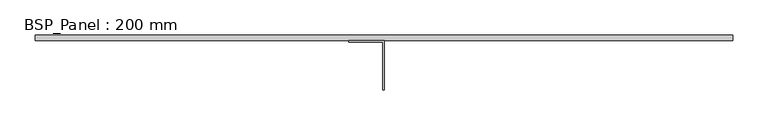
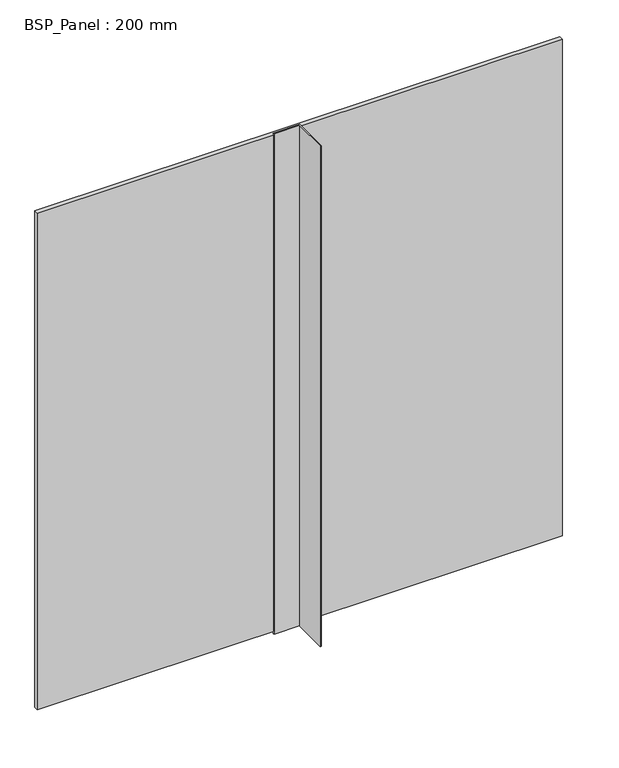
"""IFC4 building model written with IfcOpenShell, lengths in millimetres: plate geometry, BSP_Panel : 200 mm."""

from ifc_helpers import new_model, si_unit, frame, origin, origin_with_axes, place, context, project, spatial, polyline, outline, extrude, source, transform, mapped, element, save


def bsp_panel_200_mm_5d8d53f0(model_context):
    return source(origin(), model_context, "Body", "SweptSolid", [
        extrude(outline(polyline([(496.0000001, 200.0), (496.0000001, 192.0), (-496.0000001, 192.0), (-496.0000001, 200.0), (496.0000001, 200.0)])), frame((0.0, 0.0, 4.0), z_axis=(0.0, 0.0, 1.0), x_axis=(1.0, 0.0, 0.0)), (0.0, 0.0, 1.0), 992.0),
        extrude(outline(polyline([(-50.0, 192.0), (0.0, 192.0), (0.0, 122.0), (-2.0, 122.0), (-2.0, 190.0), (-50.0, 190.0), (-50.0, 192.0)])), origin_with_axes(), (0.0, 0.0, 1.0), 1000.0),
    ])


if __name__ == "__main__":
    model = new_model("IFC4")
    model_context = context("Model", 3, world=origin())
    ifc_project = project(units=[si_unit("LENGTHUNIT", "METRE", prefix="MILLI")], contexts=[model_context])
    site = spatial("IfcSite", under=ifc_project)
    building = spatial("IfcBuilding", under=site)
    placement = place(None, origin())
    bsp_panel_200_mm_shape = bsp_panel_200_mm_5d8d53f0(model_context)
    element("IfcPlate", 1, ObjectType="BSP_Panel : 200 mm", at=placement, inside=building, context=model_context, shape_type="MappedRepresentation", body=[
        mapped(bsp_panel_200_mm_shape, transform((0.0, 0.0, 0.0), x_axis=(1.0, 0.0, 0.0), y_axis=(0.0, 1.0, 0.0), z_axis=(0.0, 0.0, 1.0))),
    ])
    save(model, "model.ifc")
